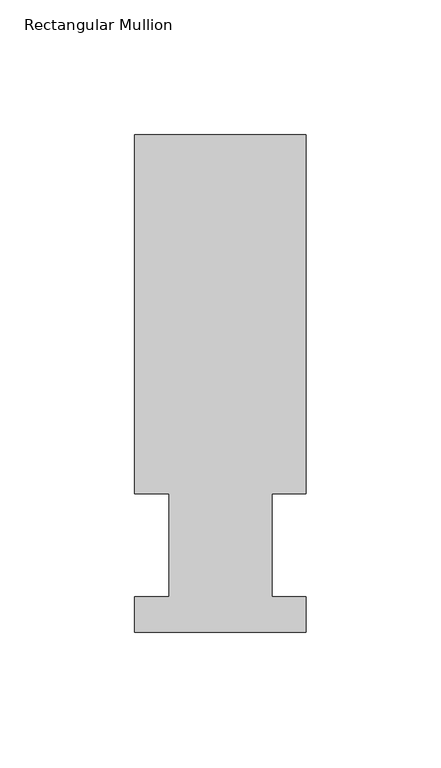
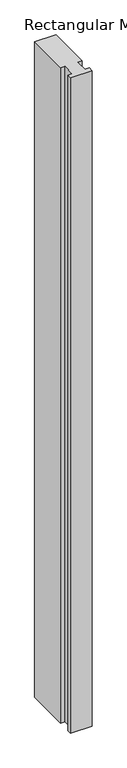
"""IFC4 building model written with IfcOpenShell, lengths in millimetres: member geometry, Rectangular Mullion."""

import ifcopenshell
import ifcopenshell.guid

model = None  # the IFC model being written
_history = None  # IfcOwnerHistory: only IFC2X3 demands one
_inside = {}  # id of a spatial element -> (the spatial element, [elements in it])
_under = {}  # id of a project, library or spatial element -> (it, [spatial elements below it])
_declared = {}  # id of a project -> (the project, [libraries it declares])
_typed = {}  # id of a type object -> (the type object, [elements of that type])
_made_of = {}  # id of a material, layer set ... -> (it, [elements and type objects made of it])


def new_model(schema):
    """Start an empty IFC model of exactly this schema.

    Asked for "IFC4X3", IfcOpenShell would pick the latest addendum, in which some entities
    have other attributes; the version numbers below select the first issue.
    IFC2X3 requires an IfcOwnerHistory on every rooted entity: one is made here for all.
    """
    global model, _history
    if schema == "IFC4X3":
        model = ifcopenshell.file(schema_version=(4, 3, 0, 0))
    else:
        model = ifcopenshell.file(schema=schema)
    _inside.clear()
    _under.clear()
    _declared.clear()
    _typed.clear()
    _made_of.clear()
    _history = None
    if model.schema == "IFC2X3":
        org = make("IfcOrganization", Name="unknown")
        user = make(
            "IfcPersonAndOrganization",
            ThePerson=make("IfcPerson", FamilyName="unknown"),
            TheOrganization=org,
        )
        app = make(
            "IfcApplication",
            ApplicationDeveloper=org,
            Version="unknown",
            ApplicationFullName="unknown",
            ApplicationIdentifier="unknown",
        )
        _history = make(
            "IfcOwnerHistory",
            OwningUser=user,
            OwningApplication=app,
            ChangeAction="ADDED",
            CreationDate=0,
        )
    return model


def make(cls, **values):
    """One entity of the class cls with the attributes given. An attribute that is None is left unset."""
    return model.create_entity(
        cls, **{name: value for name, value in values.items() if value is not None}
    )


def rooted(cls, **values):
    """An entity with a GlobalId (a new one), such as an element, a storey or a relation."""
    return make(cls, GlobalId=ifcopenshell.guid.new(), OwnerHistory=_history, **values)


def si_unit(unit_type, name, prefix=None):
    """IfcSIUnit, for example si_unit("LENGTHUNIT", "METRE", prefix="MILLI")."""
    return make("IfcSIUnit", UnitType=unit_type, Prefix=prefix, Name=name)


def assignment(units):
    """IfcUnitAssignment: the units of a project."""
    return None if units is None else make("IfcUnitAssignment", Units=units)


def point(xyz):
    """IfcCartesianPoint."""
    return None if xyz is None else make("IfcCartesianPoint", Coordinates=xyz)


def direction(xyz):
    """IfcDirection."""
    return None if xyz is None else make("IfcDirection", DirectionRatios=xyz)


def frame(location, z_axis=None, x_axis=None):
    """IfcAxis2Placement3D, a coordinate frame: its origin and axes. An axis left out is left unset."""
    return make(
        "IfcAxis2Placement3D",
        Location=point(location),
        Axis=direction(z_axis),
        RefDirection=direction(x_axis),
    )


def origin():
    """The frame at (0, 0, 0) with its axes left unset."""
    return frame((0.0, 0.0, 0.0))


def place(relative_to, where):
    """IfcLocalPlacement: puts the frame where relative to a parent placement (None: the world)."""
    return make(
        "IfcLocalPlacement", PlacementRelTo=relative_to, RelativePlacement=where
    )


def context(
    kind, dimensions, precision=None, world=None, true_north=None, identifier=None
):
    """IfcGeometricRepresentationContext, for example the 3D "Model" context."""
    return make(
        "IfcGeometricRepresentationContext",
        ContextIdentifier=identifier,
        ContextType=kind,
        CoordinateSpaceDimension=dimensions,
        Precision=precision,
        WorldCoordinateSystem=world,
        TrueNorth=true_north,
    )


def project(units=None, contexts=None):
    """IfcProject with its units and contexts."""
    return rooted(
        "IfcProject",
        Name="project",
        RepresentationContexts=contexts,
        UnitsInContext=assignment(units),
    )


def spatial(cls, under=None, at=None, **own):
    """A site, building, storey or space (cls), placed at a placement, below another one or the project."""
    s = rooted(cls, ObjectPlacement=at, **own)
    if under is not None:
        _under.setdefault(under.id(), (under, []))[1].append(s)
    return s


def polyline(points):
    """IfcPolyline through the points."""
    return make("IfcPolyline", Points=[point(p) for p in points])


def outline(outer, holes=None, kind="AREA"):
    """IfcArbitraryClosedProfileDef: a profile drawn as a closed curve; with holes, ...WithVoids."""
    if holes is None:
        return make("IfcArbitraryClosedProfileDef", ProfileType=kind, OuterCurve=outer)
    return make(
        "IfcArbitraryProfileDefWithVoids",
        ProfileType=kind,
        OuterCurve=outer,
        InnerCurves=holes,
    )


def extrude(swept, where, along, depth):
    """IfcExtrudedAreaSolid: the profile swept, set in the frame where, extruded along a direction by depth."""
    return make(
        "IfcExtrudedAreaSolid",
        SweptArea=swept,
        Position=where,
        ExtrudedDirection=direction(along),
        Depth=depth,
    )


def shape(context_of_items, identifier, shape_type, items):
    """IfcShapeRepresentation: the items that make up one representation, for example the "Body"."""
    return make(
        "IfcShapeRepresentation",
        ContextOfItems=context_of_items,
        RepresentationIdentifier=identifier,
        RepresentationType=shape_type,
        Items=items,
    )


def source(mapping_origin, context_of_items, identifier, shape_type, items):
    """IfcRepresentationMap: a shape defined once, which mapped items show again and again."""
    return make(
        "IfcRepresentationMap",
        MappingOrigin=mapping_origin,
        MappedRepresentation=shape(context_of_items, identifier, shape_type, items),
    )


def transform(
    local_origin,
    x_axis=None,
    y_axis=None,
    z_axis=None,
    scale=None,
    scale2=None,
    scale3=None,
    uniform=True,
):
    """IfcCartesianTransformationOperator3D, or its non-uniform kind. x_axis, y_axis, z_axis: its Axis1, 2, 3."""
    if uniform:
        return make(
            "IfcCartesianTransformationOperator3D",
            Axis1=direction(x_axis),
            Axis2=direction(y_axis),
            LocalOrigin=point(local_origin),
            Scale=scale,
            Axis3=direction(z_axis),
        )
    return make(
        "IfcCartesianTransformationOperator3DnonUniform",
        Axis1=direction(x_axis),
        Axis2=direction(y_axis),
        LocalOrigin=point(local_origin),
        Scale=scale,
        Axis3=direction(z_axis),
        Scale2=scale2,
        Scale3=scale3,
    )


def mapped(mapping_source, mapping_target):
    """IfcMappedItem: shows the shape of a source again, moved by a transform."""
    return make(
        "IfcMappedItem", MappingSource=mapping_source, MappingTarget=mapping_target
    )


def made_of(thing, what):
    """Note that an element or type object is made of a material, layer set ...; save() writes the relation."""
    if what is not None:
        _made_of.setdefault(what.id(), (what, []))[1].append(thing)
    return thing


def element(
    cls,
    number,
    at=None,
    inside=None,
    cuts=None,
    type_object=None,
    material=None,
    context=None,
    identifier="Body",
    shape_type=None,
    held_by="IfcProductDefinitionShape",
    body=None,
    shapes=None,
    **own,
):
    """One element of the class cls, such as IfcWall. Its Tag is "e" and its number.

    at: its placement. inside: the storey or other place that contains it. cuts: it is an
    opening in that element (IfcRelVoidsElement). A single representation is given by context,
    identifier, shape_type and body (its items); several are given by shapes. held_by: the class
    of the entity that holds the representations. save() writes the other relations.
    """
    e = rooted(cls, Tag="e%d" % number, ObjectPlacement=at, **own)
    if body is not None:
        shapes = [shape(context, identifier, shape_type, body)]
    if shapes is not None:
        e.Representation = make(held_by, Representations=shapes)
    if inside is not None:
        _inside.setdefault(inside.id(), (inside, []))[1].append(e)
    if cuts is not None:
        rooted(
            "IfcRelVoidsElement", RelatingBuildingElement=cuts, RelatedOpeningElement=e
        )
    if type_object is not None:
        _typed.setdefault(type_object.id(), (type_object, []))[1].append(e)
    return made_of(e, material)


def aggregate(whole, parts):
    """IfcRelAggregates: a whole, such as a stair, and the parts it consists of."""
    return rooted("IfcRelAggregates", RelatingObject=whole, RelatedObjects=parts)


def save(model, path):
    """Write the relations noted so far, then the file.

    IfcRelAggregates (storeys below a building ...), IfcRelContainedInSpatialStructure (elements
    in a storey), IfcRelDefinesByType, IfcRelAssociatesMaterial and IfcRelDeclares: one each for
    every whole, place, type object, material and project.
    """
    for whole, parts in _under.values():
        aggregate(whole, parts)
    for where, things in _inside.values():
        rooted(
            "IfcRelContainedInSpatialStructure",
            RelatedElements=things,
            RelatingStructure=where,
        )
    for kind, things in _typed.values():
        rooted("IfcRelDefinesByType", RelatedObjects=things, RelatingType=kind)
    for what, things in _made_of.values():
        rooted("IfcRelAssociatesMaterial", RelatedObjects=things, RelatingMaterial=what)
    for by, libraries in _declared.values():
        rooted("IfcRelDeclares", RelatingContext=by, RelatedDefinitions=libraries)
    model.write(path)


def rectangular_mullion_f047e438(model_context):
    return source(origin(), model_context, "Body", "SweptSolid", [
        extrude(outline(polyline([(-31.7499996, 184.2396938), (31.75, 184.2396938), (31.75, 51.2960938), (19.0499996, 51.2960937), (19.0499996, 13.1960938), (31.75, 13.1960938), (31.75, 0.0134938), (-31.75, 0.0134938), (-31.75, 13.1960938), (-19.0499996, 13.1960938), (-19.0499996, 51.2960937), (-31.7499996, 51.2960937), (-31.7499996, 184.2396938)])), frame((0.0, 0.0, -2057.4), z_axis=(0.0, 0.0, 1.0), x_axis=(1.0, 0.0, 0.0)), (0.0, 0.0, 1.0), 2057.4),
    ])


if __name__ == "__main__":
    model = new_model("IFC4")
    model_context = context("Model", 3, world=origin())
    ifc_project = project(units=[si_unit("LENGTHUNIT", "METRE", prefix="MILLI")], contexts=[model_context])
    site = spatial("IfcSite", under=ifc_project)
    building = spatial("IfcBuilding", under=site)
    placement = place(None, origin())
    rectangular_mullion_shape = rectangular_mullion_f047e438(model_context)
    element("IfcMember", 1, ObjectType="Rectangular Mullion", at=placement, inside=building, context=model_context, shape_type="MappedRepresentation", body=[
        mapped(rectangular_mullion_shape, transform((0.0, 0.0, 0.0), x_axis=(1.0, 0.0, 0.0), y_axis=(0.0, 1.0, 0.0), z_axis=(0.0, 0.0, 1.0))),
    ])
    save(model, "model.ifc")
